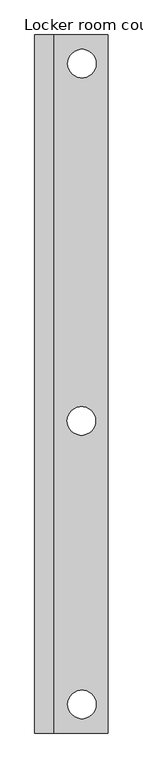
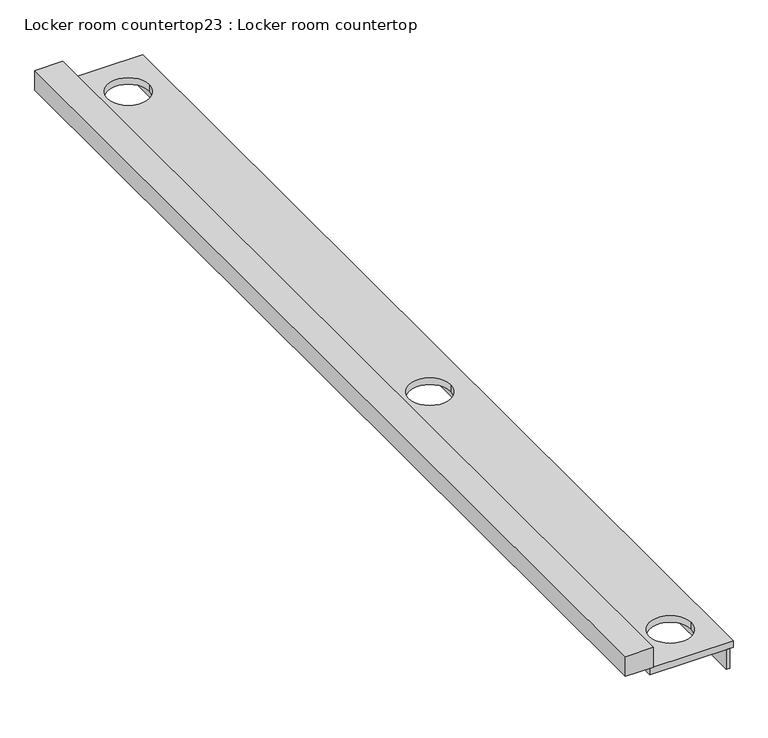
"""IFC4 building model written with IfcOpenShell, lengths in millimetres: furniture geometry, Locker room countertop23 : Locker room countertop."""

from ifc_helpers import new_model, si_unit, point, frame, frame_2d, origin, place, context, project, spatial, polyline, circle_curve, trimmed, segment, composite_curve, outline, extrude, source, transform, mapped, element, save


def locker_room_countertop23_locker_room_countertop_ef3be483(model_context):
    return source(origin(), model_context, "Body", "SweptSolid", [
        extrude(outline(polyline([(455769.4504676, -265430.8080223), (455744.0504676, -265430.8080223), (455744.0504676, -257960.0330223), (455769.4504676, -257960.0330223), (455769.4504676, -265430.8080223)])), frame((0.0, 0.0, 660.4), z_axis=(0.0, 0.0, 1.0), x_axis=(1.0, 0.0, 0.0)), (0.0, 0.0, 1.0), 152.4),
        extrude(outline(polyline([(455210.6504676, -257960.0330223), (455210.6504676, -265430.8080223), (455007.4504676, -265430.8080223), (455007.4504676, -257960.0330223), (455210.6504676, -257960.0330223)])), frame((0.0, 0.0, 863.6), z_axis=(0.0, 0.0, 1.0), x_axis=(1.0, 0.0, 0.0)), (0.0, 0.0, 1.0), 152.4),
        extrude(outline(polyline([(455794.8504676, -257960.0330223), (455794.8504676, -265430.8080223), (455185.2504676, -265430.8080223), (455185.2504676, -257960.0330223), (455794.8504676, -257960.0330223)]), holes=[composite_curve([segment(trimmed(circle_curve(frame_2d((455512.6617195, -258266.949689)), 152.4), [point((455360.2617195, -258266.949689))], [point((455665.0617195, -258266.949689))], True, "CARTESIAN"), True, "CONTINUOUS"), segment(trimmed(circle_curve(frame_2d((455512.6617195, -258266.949689)), 152.4), [point((455665.0617195, -258266.949689))], [point((455360.2617195, -258266.949689))], True, "CARTESIAN"), True, "CONTINUOUS")], self_intersect=False), composite_curve([segment(trimmed(circle_curve(frame_2d((455507.6025001, -262090.7714452)), 152.4), [point((455355.2025001, -262090.7714452))], [point((455660.0025001, -262090.7714452))], True, "CARTESIAN"), True, "CONTINUOUS"), segment(trimmed(circle_curve(frame_2d((455507.6025001, -262090.7714452)), 152.4), [point((455660.0025001, -262090.7714452))], [point((455355.2025001, -262090.7714452))], True, "CARTESIAN"), True, "CONTINUOUS")], self_intersect=False), composite_curve([segment(trimmed(circle_curve(frame_2d((455512.6617195, -265123.8913557)), 152.4), [point((455360.2617195, -265123.8913557))], [point((455665.0617195, -265123.8913557))], True, "CARTESIAN"), True, "CONTINUOUS"), segment(trimmed(circle_curve(frame_2d((455512.6617195, -265123.8913557)), 152.4), [point((455665.0617195, -265123.8913557))], [point((455360.2617195, -265123.8913557))], True, "CARTESIAN"), True, "CONTINUOUS")], self_intersect=False)]), frame((0.0, 0.0, 812.8), z_axis=(0.0, 0.0, 1.0), x_axis=(1.0, 0.0, 0.0)), (0.0, 0.0, 1.0), 50.8),
    ])


if __name__ == "__main__":
    model = new_model("IFC4")
    model_context = context("Model", 3, world=origin())
    ifc_project = project(units=[si_unit("LENGTHUNIT", "METRE", prefix="MILLI")], contexts=[model_context])
    site = spatial("IfcSite", under=ifc_project)
    building = spatial("IfcBuilding", under=site)
    placement = place(None, origin())
    locker_room_countertop23_locker_room_countertop_shape = locker_room_countertop23_locker_room_countertop_ef3be483(model_context)
    element("IfcFurniture", 1, ObjectType="Locker room countertop23 : Locker room countertop", at=placement, inside=building, context=model_context, shape_type="MappedRepresentation", body=[
        mapped(locker_room_countertop23_locker_room_countertop_shape, transform((0.0, 0.0, 0.0), x_axis=(1.0, 0.0, 0.0), y_axis=(0.0, 1.0, 0.0), z_axis=(0.0, 0.0, 1.0))),
    ])
    save(model, "model.ifc")
